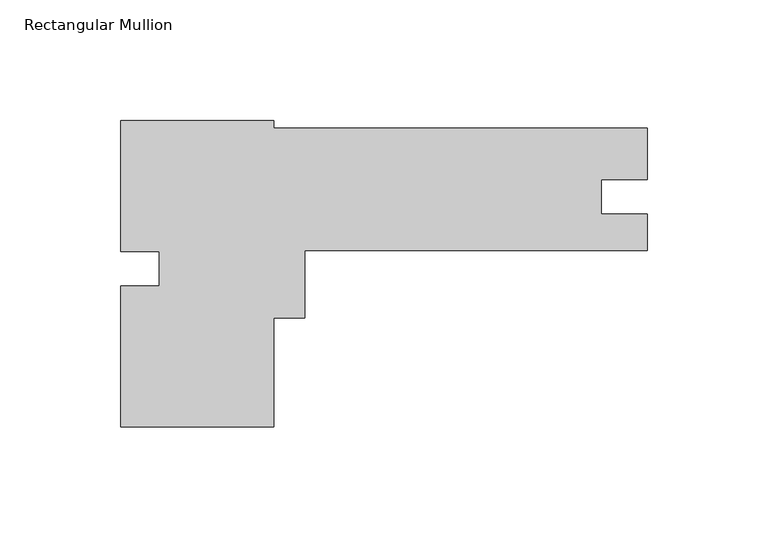
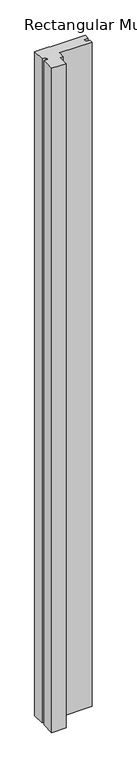
"""IFC4 building model written with IfcOpenShell, lengths in millimetres: member geometry, Rectangular Mullion."""

from ifc_helpers import new_model, si_unit, frame, origin, place, context, project, spatial, polyline, outline, extrude, source, transform, mapped, element, save


def rectangular_mullion_82f3a287(model_context):
    return source(origin(), model_context, "Body", "SweptSolid", [
        extrude(outline(polyline([(-218.1860013, -14.9544439), (-202.3110013, -14.9544439), (-202.3110013, -0.4796913), (-218.1860013, -0.4796913), (-218.1860013, 53.7366087), (-154.6860013, 53.7366087), (-154.6860013, 50.6136162), (-1.3e-06, 50.6136162), (-1.3e-06, 29.2268096), (-19.0246, 29.2268096), (-19.0246, 14.9002633), (0.0, 14.9002633), (0.0, -0.1863838), (-141.9860013, -0.1863838), (-141.9860013, -28.0196413), (-154.6860013, -28.0196413), (-154.6860013, -73.2633913), (-218.1860013, -73.2633913), (-218.1860013, -14.9544439)])), frame((0.0, 0.0, -3048.0), z_axis=(0.0, 0.0, 1.0), x_axis=(1.0, 0.0, 0.0)), (0.0, 0.0, 1.0), 3048.0),
    ])


if __name__ == "__main__":
    model = new_model("IFC4")
    model_context = context("Model", 3, world=origin())
    ifc_project = project(units=[si_unit("LENGTHUNIT", "METRE", prefix="MILLI")], contexts=[model_context])
    site = spatial("IfcSite", under=ifc_project)
    building = spatial("IfcBuilding", under=site)
    placement = place(None, origin())
    rectangular_mullion_shape = rectangular_mullion_82f3a287(model_context)
    element("IfcMember", 1, ObjectType="Rectangular Mullion", at=placement, inside=building, context=model_context, shape_type="MappedRepresentation", body=[
        mapped(rectangular_mullion_shape, transform((0.0, 0.0, 0.0), x_axis=(1.0, 0.0, 0.0), y_axis=(0.0, 1.0, 0.0), z_axis=(0.0, 0.0, 1.0))),
    ])
    save(model, "model.ifc")
